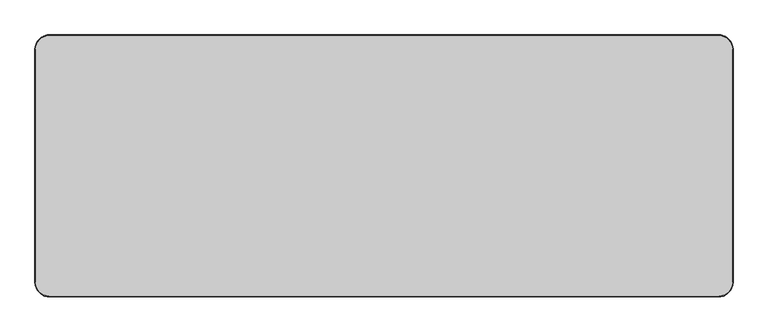
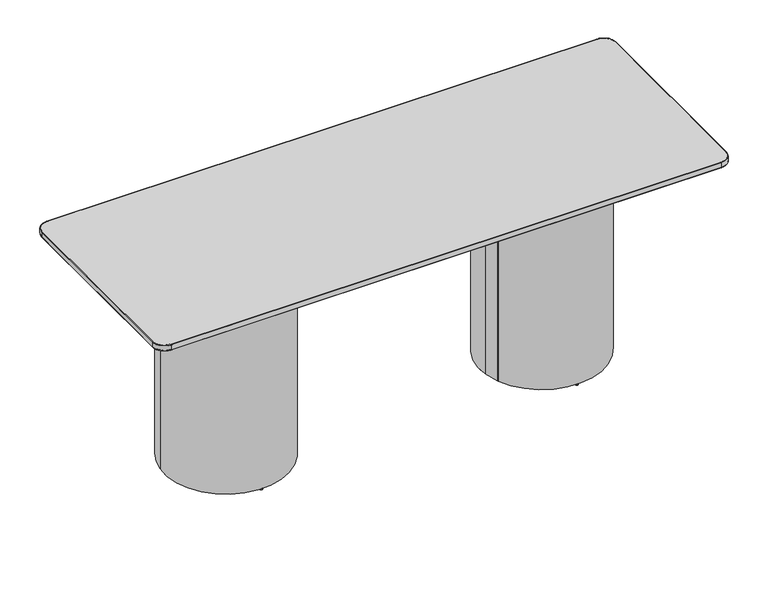
"""IFC4 building model written with IfcOpenShell, lengths in millimetres: furniture geometry."""

from ifc_helpers import new_model, si_unit, point, frame, frame_2d, origin, origin_with_axes, place, context, project, spatial, circle_curve, ellipse_curve, trimmed, segment, composite_curve, outline, extrude, source, transform, mapped, element, save
from ifc_brep_helpers import plane_surface, cylinder_surface, revolved_surface, advanced_brep


def furniture_bea2e3d8(model_context):
    return source(origin(), model_context, "Body", "SolidModel", [
        extrude(outline(composite_curve([segment(trimmed(circle_curve(frame_2d((660.0, 0.0)), 258.5321587), [point((403.8842954, -35.265038))], [point((916.1157046, 35.265038))], False, "CARTESIAN"), True, "CONTINUOUS"), segment(trimmed(circle_curve(frame_2d((660.0, 0.0)), 258.5321587), [point((916.1157046, 35.265038))], [point((420.6750163, -97.7876742))], False, "CARTESIAN"), True, "CONTINUOUS"), segment(trimmed(circle_curve(frame_2d((422.4184594, -97.0753071)), 1.8833642), [point((420.6750163, -97.7876742))], [point((421.7189054, -95.3266833))], False, "CARTESIAN"), True, "CONTINUOUS"), segment(trimmed(circle_curve(frame_2d((421.0193513, -93.5780596)), 1.8833642), [point((421.7189054, -95.3266833))], [point((419.2656411, -94.2647628))], False, "CARTESIAN"), True, "CONTINUOUS"), segment(trimmed(circle_curve(frame_2d((660.0, 0.0)), 258.5321587), [point((419.2656411, -94.2647628))], [point((403.8842954, -35.265038))], False, "CARTESIAN"), True, "CONTINUOUS")], self_intersect=False), holes=[composite_curve([segment(trimmed(circle_curve(frame_2d((660.0, 0.0)), 160.0), [point((501.4954915, -21.8247746))], [point((818.5045085, 21.8247746))], True, "CARTESIAN"), True, "CONTINUOUS"), segment(trimmed(circle_curve(frame_2d((660.0, 0.0)), 160.0), [point((818.5045085, 21.8247746))], [point((501.4954915, -21.8247746))], True, "CARTESIAN"), True, "CONTINUOUS")], self_intersect=False)]), frame((0.0, 0.0, 4.8896843), z_axis=(0.0, 0.0, 1.0), x_axis=(1.0, 0.0, 0.0)), (0.0, 0.0, 1.0), 901.0561317),
        extrude(outline(composite_curve([segment(trimmed(circle_curve(frame_2d((909.9906366, 0.078125)), 5.5), [point((915.4906366, 0.078125))], [point((904.4906366, 0.078125))], False, "CARTESIAN"), True, "CONTINUOUS"), segment(trimmed(circle_curve(frame_2d((909.9906366, 0.078125)), 5.5), [point((904.4906366, 0.078125))], [point((915.4906366, 0.078125))], False, "CARTESIAN"), True, "CONTINUOUS")], self_intersect=False)), origin_with_axes(), (0.0, 0.0, 1.0), 4.8896843),
        extrude(outline(composite_curve([segment(trimmed(circle_curve(frame_2d((409.496752, 0.15625)), 5.5), [point((414.996752, 0.15625))], [point((403.996752, 0.15625))], False, "CARTESIAN"), True, "CONTINUOUS"), segment(trimmed(circle_curve(frame_2d((409.496752, 0.15625)), 5.5), [point((403.996752, 0.15625))], [point((414.996752, 0.15625))], False, "CARTESIAN"), True, "CONTINUOUS")], self_intersect=False)), origin_with_axes(), (0.0, 0.0, 1.0), 4.8896843),
        extrude(outline(composite_curve([segment(trimmed(circle_curve(frame_2d((660.3899565, 252.9463606)), 5.5), [point((665.8899565, 252.9463606))], [point((654.8899565, 252.9463606))], False, "CARTESIAN"), True, "CONTINUOUS"), segment(trimmed(circle_curve(frame_2d((660.3899565, 252.9463606)), 5.5), [point((654.8899565, 252.9463606))], [point((665.8899565, 252.9463606))], False, "CARTESIAN"), True, "CONTINUOUS")], self_intersect=False)), origin_with_axes(), (0.0, 0.0, 1.0), 4.8896843),
        extrude(outline(composite_curve([segment(trimmed(circle_curve(frame_2d((660.3899565, -252.9463606)), 5.5), [point((665.8899565, -252.9463606))], [point((654.8899565, -252.9463606))], False, "CARTESIAN"), True, "CONTINUOUS"), segment(trimmed(circle_curve(frame_2d((660.3899565, -252.9463606)), 5.5), [point((654.8899565, -252.9463606))], [point((665.8899565, -252.9463606))], False, "CARTESIAN"), True, "CONTINUOUS")], self_intersect=False)), origin_with_axes(), (0.0, 0.0, 1.0), 4.8896843),
        extrude(outline(composite_curve([segment(trimmed(circle_curve(frame_2d((-659.9998829, 0.0)), 258.5321587), [point((-916.1155875, 35.265038))], [point((-403.8841783, -35.265038))], False, "CARTESIAN"), True, "CONTINUOUS"), segment(trimmed(circle_curve(frame_2d((-659.9998829, 0.0)), 258.5321587), [point((-403.8841783, -35.265038))], [point((-419.265524, -94.2647628))], False, "CARTESIAN"), True, "CONTINUOUS"), segment(trimmed(circle_curve(frame_2d((-421.0192342, -93.5780596)), 1.8833642), [point((-419.265524, -94.2647628))], [point((-421.7187882, -95.3266833))], False, "CARTESIAN"), True, "CONTINUOUS"), segment(trimmed(circle_curve(frame_2d((-422.4183423, -97.0753071)), 1.8833642), [point((-421.7187882, -95.3266833))], [point((-420.6748992, -97.7876742))], False, "CARTESIAN"), True, "CONTINUOUS"), segment(trimmed(circle_curve(frame_2d((-659.9998829, 0.0)), 258.5321587), [point((-420.6748992, -97.7876742))], [point((-916.1155875, 35.265038))], False, "CARTESIAN"), True, "CONTINUOUS")], self_intersect=False), holes=[composite_curve([segment(trimmed(circle_curve(frame_2d((-659.9998829, 0.0)), 160.0), [point((-501.4953744, -21.8247746))], [point((-818.5043914, 21.8247746))], True, "CARTESIAN"), True, "CONTINUOUS"), segment(trimmed(circle_curve(frame_2d((-659.9998829, 0.0)), 160.0), [point((-818.5043914, 21.8247746))], [point((-501.4953744, -21.8247746))], True, "CARTESIAN"), True, "CONTINUOUS")], self_intersect=False)]), frame((0.0, 0.0, 4.8896843), z_axis=(0.0, 0.0, 1.0), x_axis=(1.0, 0.0, 0.0)), (0.0, 0.0, 1.0), 901.0561317),
        extrude(outline(composite_curve([segment(trimmed(circle_curve(frame_2d((-909.9905195, 0.078125)), 5.5), [point((-915.4905195, 0.078125))], [point((-904.4905195, 0.078125))], False, "CARTESIAN"), True, "CONTINUOUS"), segment(trimmed(circle_curve(frame_2d((-909.9905195, 0.078125)), 5.5), [point((-904.4905195, 0.078125))], [point((-915.4905195, 0.078125))], False, "CARTESIAN"), True, "CONTINUOUS")], self_intersect=False)), origin_with_axes(), (0.0, 0.0, 1.0), 4.8896843),
        extrude(outline(composite_curve([segment(trimmed(circle_curve(frame_2d((-409.4966349, 0.15625)), 5.5), [point((-414.9966349, 0.15625))], [point((-403.9966349, 0.15625))], False, "CARTESIAN"), True, "CONTINUOUS"), segment(trimmed(circle_curve(frame_2d((-409.4966349, 0.15625)), 5.5), [point((-403.9966349, 0.15625))], [point((-414.9966349, 0.15625))], False, "CARTESIAN"), True, "CONTINUOUS")], self_intersect=False)), origin_with_axes(), (0.0, 0.0, 1.0), 4.8896843),
        extrude(outline(composite_curve([segment(trimmed(circle_curve(frame_2d((-660.3898394, 252.9462175)), 5.5), [point((-665.8898394, 252.9462175))], [point((-654.8898394, 252.9462175))], False, "CARTESIAN"), True, "CONTINUOUS"), segment(trimmed(circle_curve(frame_2d((-660.3898394, 252.9462175)), 5.5), [point((-654.8898394, 252.9462175))], [point((-665.8898394, 252.9462175))], False, "CARTESIAN"), True, "CONTINUOUS")], self_intersect=False)), origin_with_axes(), (0.0, 0.0, 1.0), 4.8896843),
        extrude(outline(composite_curve([segment(trimmed(circle_curve(frame_2d((-660.3898394, -252.9462175)), 5.5), [point((-665.8898394, -252.9462175))], [point((-654.8898394, -252.9462175))], False, "CARTESIAN"), True, "CONTINUOUS"), segment(trimmed(circle_curve(frame_2d((-660.3898394, -252.9462175)), 5.5), [point((-654.8898394, -252.9462175))], [point((-665.8898394, -252.9462175))], False, "CARTESIAN"), True, "CONTINUOUS")], self_intersect=False)), origin_with_axes(), (0.0, 0.0, 1.0), 4.8896843),
        advanced_brep(
        [(-1149.9996486, 447.9998569, 930.320816), (-1197.9996486, 399.9998569, 930.320816), (-1197.9996486, -400.000046, 930.320816), (-1149.9996486, -448.000046, 930.320816), (1149.9997376, -448.000046, 930.320816), (1197.9995695, -400.0002141, 930.320816), (1197.9995695, 399.9998569, 930.320816), (1149.9995695, 447.9998569, 930.320816), (1149.9995695, 447.9998569, 905.945816), (1197.9995695, 399.9998569, 905.945816), (1197.9995695, -400.0002141, 905.945816), (1149.9997376, -448.000046, 905.945816), (-1149.9996486, -448.000046, 905.945816), (-1197.9996486, -400.000046, 905.945816), (-1197.9996486, 399.9998569, 905.945816), (-1149.9996486, 447.9998569, 905.945816), (-1149.9996486, 449.9998569, 928.320816), (1149.9995695, 449.9998569, 928.320816), (1149.9995695, 449.9998569, 907.9458146), (-1149.9996486, 449.9998569, 907.945816), (-1199.9996486, 399.9998569, 928.320816), (-1199.9996486, 399.9998569, 907.945816), (-1199.9996486, -400.000046, 928.320816), (-1199.9996486, -400.000046, 907.945816), (-1149.9996486, -450.000046, 928.320816), (-1149.9996486, -450.000046, 907.945816), (1149.9997376, -450.000046, 928.320816), (1149.9997376, -450.000046, 907.945816), (1199.9995695, -400.0002141, 928.320816), (1199.9995695, -400.0002141, 907.945816), (1199.9995695, 399.9998569, 928.320816), (1199.9995695, 399.9998569, 907.945816)],
        [
            (0, 1, circle_curve(frame((-1149.9996486, 399.9998569, 930.320816), z_axis=(0.0, 0.0, 1.0), x_axis=(0.0, 1.0, 0.0)), 48.0)),
            (1, 2),
            (2, 3, circle_curve(frame((-1149.9996486, -400.000046, 930.320816), z_axis=(0.0, 0.0, 1.0), x_axis=(-1.0, 0.0, 0.0)), 48.0)),
            (3, 4),
            (4, 5, circle_curve(frame((1149.9997376, -400.0002141, 930.320816), z_axis=(0.0, 0.0, 1.0), x_axis=(0.0, -1.0, 0.0)), 47.9998319)),
            (5, 6),
            (6, 7, circle_curve(frame((1149.9995695, 399.9998569, 930.320816), z_axis=(0.0, 0.0, 1.0), x_axis=(1.0, 0.0, 0.0)), 48.0)),
            (7, 0),
            (8, 9, circle_curve(frame((1149.9995695, 399.9998569, 905.945816), z_axis=(0.0, 0.0, -1.0), x_axis=(0.0, 1.0, 0.0)), 48.0)),
            (9, 10),
            (10, 11, circle_curve(frame((1149.9997376, -400.0002141, 905.945816), z_axis=(0.0, 0.0, -1.0), x_axis=(1.0, 0.0, 0.0)), 47.9998319)),
            (11, 12),
            (12, 13, circle_curve(frame((-1149.9996486, -400.000046, 905.945816), z_axis=(0.0, 0.0, -1.0), x_axis=(0.0, -1.0, 0.0)), 48.0)),
            (13, 14),
            (14, 15, circle_curve(frame((-1149.9996486, 399.9998569, 905.945816), z_axis=(0.0, 0.0, -1.0), x_axis=(-1.0, 0.0, 0.0)), 48.0)),
            (15, 8),
            (16, 17),
            (17, 18),
            (18, 19),
            (19, 16),
            (20, 16, circle_curve(frame((-1149.9996486, 399.9998569, 928.320816), z_axis=(0.0, 0.0, -1.0), x_axis=(1.0, 0.0, 0.0)), 50.0)),
            (19, 21, circle_curve(frame((-1149.9996486, 399.9998569, 907.945816), z_axis=(0.0, 0.0, 1.0), x_axis=(1.0, 0.0, 0.0)), 50.0)),
            (21, 20),
            (22, 20),
            (21, 23),
            (23, 22),
            (24, 22, circle_curve(frame((-1149.9996486, -400.000046, 928.320816), z_axis=(0.0, 0.0, -1.0), x_axis=(1.0, 0.0, 0.0)), 50.0)),
            (23, 25, circle_curve(frame((-1149.9996486, -400.000046, 907.945816), z_axis=(0.0, 0.0, 1.0), x_axis=(1.0, 0.0, 0.0)), 50.0)),
            (25, 24),
            (26, 24),
            (25, 27),
            (27, 26),
            (28, 26, circle_curve(frame((1149.9997376, -400.0002141, 928.320816), z_axis=(0.0, 0.0, -1.0), x_axis=(1.0, 0.0, 0.0)), 49.9998319)),
            (27, 29, circle_curve(frame((1149.9997376, -400.0002141, 907.945816), z_axis=(0.0, 0.0, 1.0), x_axis=(1.0, 0.0, 0.0)), 49.9998319)),
            (29, 28),
            (30, 28),
            (29, 31),
            (31, 30),
            (17, 30, circle_curve(frame((1149.9995695, 399.9998569, 928.320816), z_axis=(0.0, 0.0, -1.0), x_axis=(1.0, 0.0, 0.0)), 50.0)),
            (31, 18, circle_curve(frame((1149.9995695, 399.9998569, 907.945816), z_axis=(0.0, 0.0, 1.0), x_axis=(1.0, 0.0, 0.0)), 50.0)),
            (20, 1, circle_curve(frame((-1197.9996486, 399.9998569, 928.320816), z_axis=(0.0, 1.0, 0.0), x_axis=(1.0, 0.0, 0.0)), 2.0)),
            (0, 16, circle_curve(frame((-1149.9996486, 447.9998569, 928.320816), z_axis=(-1.0, 0.0, 0.0), x_axis=(0.0, -1.0, 0.0)), 2.0)),
            (22, 2, circle_curve(frame((-1197.9996486, -400.000046, 928.320816), z_axis=(0.0, 1.0, 0.0), x_axis=(1.0, 0.0, 0.0)), 2.0)),
            (24, 3, circle_curve(frame((-1149.9996486, -448.000046, 928.320816), z_axis=(-1.0, 0.0, 0.0), x_axis=(0.0, 1.0, 0.0)), 2.0)),
            (26, 4, circle_curve(frame((1149.9997376, -448.000046, 928.320816), z_axis=(-1.0, 0.0, 0.0), x_axis=(0.0, 1.0, 0.0)), 2.0)),
            (28, 5, circle_curve(frame((1197.9995695, -400.0002141, 928.320816), z_axis=(0.0, -1.0, 0.0), x_axis=(-1.0, 0.0, 0.0)), 2.0)),
            (30, 6, circle_curve(frame((1197.9995695, 399.9998569, 928.320816), z_axis=(0.0, -1.0, 0.0), x_axis=(-1.0, 0.0, 0.0)), 2.0)),
            (17, 7, circle_curve(frame((1149.9995695, 447.9998569, 928.320816), z_axis=(1.0, 0.0, 0.0), x_axis=(0.0, -1.0, 0.0)), 2.0)),
            (31, 9, circle_curve(frame((1197.9995695, 399.9998569, 907.945816), z_axis=(0.0, 1.0, 0.0), x_axis=(-1.0, 0.0, 0.0)), 2.0)),
            (8, 18, circle_curve(frame((1149.9995695, 447.9998569, 907.945816), z_axis=(1.0, 0.0, 0.0), x_axis=(0.0, -1.0, 0.0)), 2.0)),
            (29, 10, circle_curve(frame((1197.9995695, -400.0002141, 907.945816), z_axis=(0.0, 1.0, 0.0), x_axis=(-1.0, 0.0, 0.0)), 2.0)),
            (27, 11, circle_curve(frame((1149.9997376, -448.000046, 907.945816), z_axis=(1.0, 0.0, 0.0), x_axis=(0.0, 1.0, 0.0)), 2.0)),
            (25, 12, circle_curve(frame((-1149.9996486, -448.000046, 907.945816), z_axis=(1.0, 0.0, 0.0), x_axis=(0.0, 1.0, 0.0)), 2.0)),
            (23, 13, circle_curve(frame((-1197.9996486, -400.000046, 907.945816), z_axis=(0.0, -1.0, 0.0), x_axis=(1.0, 0.0, 0.0)), 2.0)),
            (21, 14, circle_curve(frame((-1197.9996486, 399.9998569, 907.945816), z_axis=(0.0, -1.0, 0.0), x_axis=(1.0, 0.0, 0.0)), 2.0)),
            (19, 15, circle_curve(frame((-1149.9996486, 447.9998569, 907.945816), z_axis=(-1.0, 0.0, 0.0), x_axis=(0.0, -1.0, 0.0)), 2.0)),
        ],
        [
            plane_surface(frame((-1149.9996486, 449.9998569, 930.320816), z_axis=(0.0, 0.0, 1.0), x_axis=(-1.0, 0.0, 0.0))),
            plane_surface(frame((-1149.9996486, 449.9998569, 905.945816), z_axis=(0.0, 0.0, -1.0), x_axis=(1.0, 0.0, 0.0))),
            plane_surface(frame((1149.9995695, 449.9998569, 930.320816), z_axis=(0.0, 1.0, 0.0), x_axis=(0.0, 0.0, -1.0))),
            cylinder_surface(frame((-1149.9996486, 399.9998569, 905.945816), z_axis=(0.0, 0.0, 1.0), x_axis=(1.0, 0.0, 0.0)), 50.0),
            plane_surface(frame((-1199.9996486, 399.9998569, 930.320816), z_axis=(-1.0, 0.0, 0.0), x_axis=(0.0, 0.0, -1.0))),
            cylinder_surface(frame((-1149.9996486, -400.000046, 905.945816), z_axis=(0.0, 0.0, 1.0), x_axis=(1.0, 0.0, 0.0)), 50.0),
            plane_surface(frame((-1149.9996486, -450.000046, 930.320816), z_axis=(0.0, -1.0, 0.0), x_axis=(0.0, 0.0, -1.0))),
            cylinder_surface(frame((1149.9997376, -400.0002141, 905.945816), z_axis=(0.0, 0.0, 1.0), x_axis=(1.0, 0.0, 0.0)), 49.9998319),
            plane_surface(frame((1199.9995695, -400.0002141, 930.320816), z_axis=(1.0, 0.0, 0.0), x_axis=(0.0, 0.0, -1.0))),
            cylinder_surface(frame((1149.9995695, 399.9998569, 905.945816), z_axis=(0.0, 0.0, 1.0), x_axis=(1.0, 0.0, 0.0)), 50.0),
            revolved_surface(trimmed(ellipse_curve(frame((-1149.9996486, 447.9998569, 928.320816), z_axis=(1.0, 0.0, 0.0), x_axis=(0.0, -1.0, 0.0)), 2.0, 2.0), [point((-1149.9996486, 449.9998569, 928.320816))], [point((-1149.9996486, 447.9998569, 930.320816))], True, "CARTESIAN"), (-1149.9996486, 399.9998569, 930.320816), (0.0, 0.0, 1.0)),
            cylinder_surface(frame((-1197.9996486, 399.9998569, 928.320816), z_axis=(0.0, -1.0, 0.0), x_axis=(1.0, 0.0, 0.0)), 2.0),
            revolved_surface(trimmed(ellipse_curve(frame((-1197.9996486, -400.000046, 928.320816), z_axis=(0.0, 1.0, 0.0), x_axis=(1.0, 0.0, 0.0)), 2.0, 2.0), [point((-1199.9996486, -400.000046, 928.320816))], [point((-1197.9996486, -400.000046, 930.320816))], True, "CARTESIAN"), (-1149.9996486, -400.000046, 930.320816), (0.0, 0.0, 1.0)),
            cylinder_surface(frame((-1149.9996486, -448.000046, 928.320816), z_axis=(1.0, 0.0, 0.0), x_axis=(0.0, 1.0, 0.0)), 2.0),
            revolved_surface(trimmed(ellipse_curve(frame((1149.9997376, -448.000046, 928.320816), z_axis=(-1.0, 0.0, 0.0), x_axis=(0.0, 1.0, 0.0)), 2.0, 2.0), [point((1149.9997376, -450.000046, 928.320816))], [point((1149.9997376, -448.000046, 930.320816))], True, "CARTESIAN"), (1149.9997376, -400.0002141, 930.320816), (0.0, 0.0, 1.0)),
            cylinder_surface(frame((1197.9995695, -400.0002141, 928.320816), z_axis=(0.0, 1.0, 0.0), x_axis=(-1.0, 0.0, 0.0)), 2.0),
            revolved_surface(trimmed(ellipse_curve(frame((1197.9995695, 399.9998569, 928.320816), z_axis=(0.0, -1.0, 0.0), x_axis=(-1.0, 0.0, 0.0)), 2.0, 2.0), [point((1199.9995695, 399.9998569, 928.320816))], [point((1197.9995695, 399.9998569, 930.320816))], True, "CARTESIAN"), (1149.9995695, 399.9998569, 930.320816), (0.0, 0.0, 1.0)),
            cylinder_surface(frame((1149.9995695, 447.9998569, 928.320816), z_axis=(-1.0, 0.0, 0.0), x_axis=(0.0, -1.0, 0.0)), 2.0),
            revolved_surface(trimmed(ellipse_curve(frame((1149.9995695, 447.9998569, 907.945816), z_axis=(-1.0, 0.0, 0.0), x_axis=(0.0, -1.0, 0.0)), 2.0, 2.0), [point((1149.9995695, 449.9998569, 907.945816))], [point((1149.9995695, 447.9998569, 905.945816))], True, "CARTESIAN"), (1149.9995695, 399.9998569, 905.945816), (0.0, 0.0, -1.0)),
            cylinder_surface(frame((1197.9995695, 399.9998569, 907.945816), z_axis=(0.0, -1.0, 0.0), x_axis=(-1.0, 0.0, 0.0)), 2.0),
            revolved_surface(trimmed(ellipse_curve(frame((1197.9995695, -400.0002141, 907.945816), z_axis=(0.0, 1.0, 0.0), x_axis=(-1.0, 0.0, 0.0)), 2.0, 2.0), [point((1199.9995695, -400.0002141, 907.945816))], [point((1197.9995695, -400.0002141, 905.945816))], True, "CARTESIAN"), (1149.9997376, -400.0002141, 905.945816), (0.0, 0.0, -1.0)),
            cylinder_surface(frame((1149.9997376, -448.000046, 907.945816), z_axis=(-1.0, 0.0, 0.0), x_axis=(0.0, 1.0, 0.0)), 2.0),
            revolved_surface(trimmed(ellipse_curve(frame((-1149.9996486, -448.000046, 907.945816), z_axis=(1.0, 0.0, 0.0), x_axis=(0.0, 1.0, 0.0)), 2.0, 2.0), [point((-1149.9996486, -450.000046, 907.945816))], [point((-1149.9996486, -448.000046, 905.945816))], True, "CARTESIAN"), (-1149.9996486, -400.000046, 905.945816), (0.0, 0.0, -1.0)),
            cylinder_surface(frame((-1197.9996486, -400.000046, 907.945816), z_axis=(0.0, 1.0, 0.0), x_axis=(1.0, 0.0, 0.0)), 2.0),
            revolved_surface(trimmed(ellipse_curve(frame((-1197.9996486, 399.9998569, 907.945816), z_axis=(0.0, -1.0, 0.0), x_axis=(1.0, 0.0, 0.0)), 2.0, 2.0), [point((-1199.9996486, 399.9998569, 907.945816))], [point((-1197.9996486, 399.9998569, 905.945816))], True, "CARTESIAN"), (-1149.9996486, 399.9998569, 905.945816), (0.0, 0.0, -1.0)),
            cylinder_surface(frame((-1149.9996486, 447.9998569, 907.945816), z_axis=(1.0, 0.0, 0.0), x_axis=(0.0, -1.0, 0.0)), 2.0),
        ],
        [
            (0, [[1, 2, 3, 4, 5, 6, 7, 8]]),
            (1, [[9, 10, 11, 12, 13, 14, 15, 16]]),
            (2, [[17, 18, 19, 20]]),
            (3, [[21, -20, 22, 23]]),
            (4, [[24, -23, 25, 26]]),
            (5, [[27, -26, 28, 29]]),
            (6, [[30, -29, 31, 32]]),
            (7, [[33, -32, 34, 35]]),
            (8, [[36, -35, 37, 38]]),
            (9, [[39, -38, 40, -18]]),
            (10, [[41, -1, 42, -21]]),
            (11, [[-41, -24, 43, -2]]),
            (12, [[-43, -27, 44, -3]]),
            (13, [[-44, -30, 45, -4]]),
            (14, [[-45, -33, 46, -5]]),
            (15, [[-46, -36, 47, -6]]),
            (16, [[-47, -39, 48, -7]]),
            (17, [[-42, -8, -48, -17]]),
            (18, [[49, -9, 50, -40]]),
            (19, [[-49, -37, 51, -10]]),
            (20, [[-51, -34, 52, -11]]),
            (21, [[-52, -31, 53, -12]]),
            (22, [[-53, -28, 54, -13]]),
            (23, [[-54, -25, 55, -14]]),
            (24, [[-55, -22, 56, -15]]),
            (25, [[-50, -16, -56, -19]]),
        ],
    ),
    ])


if __name__ == "__main__":
    model = new_model("IFC4")
    model_context = context("Model", 3, world=origin())
    ifc_project = project(units=[si_unit("LENGTHUNIT", "METRE", prefix="MILLI")], contexts=[model_context])
    site = spatial("IfcSite", under=ifc_project)
    building = spatial("IfcBuilding", under=site)
    placement = place(None, origin())
    furniture_shape = furniture_bea2e3d8(model_context)
    element("IfcFurniture", 1, at=placement, inside=building, context=model_context, shape_type="MappedRepresentation", body=[
        mapped(furniture_shape, transform((0.0, 0.0, 0.0), x_axis=(1.0, 0.0, 0.0), y_axis=(0.0, 1.0, 0.0), z_axis=(0.0, 0.0, 1.0))),
    ])
    save(model, "model.ifc")
